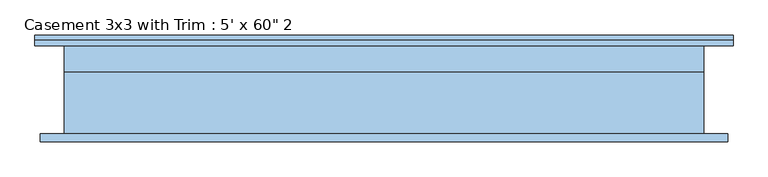
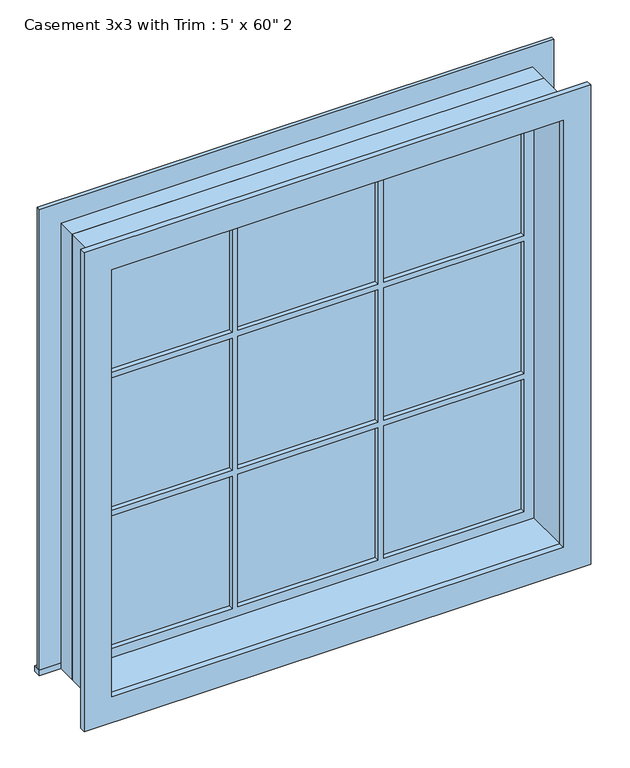
"""IFC4 building model written with IfcOpenShell, lengths in millimetres: window geometry."""

from ifc_helpers import new_model, si_unit, frame, origin, place, context, project, spatial, polyline, outline, extrude, source, transform, mapped, element, save


def window_0e5df24a(model_context):
    return source(origin(), model_context, "Body", "SweptSolid", [
        extrude(outline(polyline([(-831.85, 130.175), (831.85, 130.175), (831.85, 104.775), (-831.85, 104.775), (-831.85, 130.175)])), frame((0.0, 0.0, 609.6), z_axis=(0.0, 0.0, 1.0), x_axis=(1.0, 0.0, 0.0)), (0.0, 0.0, 1.0), 19.05),
        extrude(outline(polyline([(2114.55, -742.95), (2114.55, 742.95), (628.65, 742.95), (628.65, 831.85), (2203.45, 831.85), (2203.45, -831.85), (628.65, -831.85), (628.65, -742.95), (2114.55, -742.95)])), frame((0.0, 104.775, 0.0), z_axis=(0.0, 1.0, 0.0), x_axis=(0.0, 0.0, 1.0)), (0.0, 0.0, 1.0), 12.7),
        extrude(outline(polyline([(245.5333333, 69.85), (698.5, 69.85), (698.5, 57.15), (245.5333333, 57.15), (245.5333333, 69.85)])), frame((0.0, 0.0, 1617.1333333), z_axis=(0.0, 0.0, 1.0), x_axis=(1.0, 0.0, 0.0)), (0.0, 0.0, 1.0), 452.9666667),
        extrude(outline(polyline([(-226.4833333, 69.85), (226.4833333, 69.85), (226.4833333, 57.15), (-226.4833333, 57.15), (-226.4833333, 69.85)])), frame((0.0, 0.0, 1617.1333333), z_axis=(0.0, 0.0, 1.0), x_axis=(1.0, 0.0, 0.0)), (0.0, 0.0, 1.0), 452.9666667),
        extrude(outline(polyline([(-698.5, 69.85), (-245.5333333, 69.85), (-245.5333333, 57.15), (-698.5, 57.15), (-698.5, 69.85)])), frame((0.0, 0.0, 1617.1333333), z_axis=(0.0, 0.0, 1.0), x_axis=(1.0, 0.0, 0.0)), (0.0, 0.0, 1.0), 452.9666667),
        extrude(outline(polyline([(-698.5, 69.85), (-245.5333333, 69.85), (-245.5333333, 57.15), (-698.5, 57.15), (-698.5, 69.85)])), frame((0.0, 0.0, 1145.1166667), z_axis=(0.0, 0.0, 1.0), x_axis=(1.0, 0.0, 0.0)), (0.0, 0.0, 1.0), 452.9666667),
        extrude(outline(polyline([(-226.4833333, 69.85), (226.4833333, 69.85), (226.4833333, 57.15), (-226.4833333, 57.15), (-226.4833333, 69.85)])), frame((0.0, 0.0, 1145.1166667), z_axis=(0.0, 0.0, 1.0), x_axis=(1.0, 0.0, 0.0)), (0.0, 0.0, 1.0), 452.9666667),
        extrude(outline(polyline([(245.5333333, 69.85), (698.5, 69.85), (698.5, 57.15), (245.5333333, 57.15), (245.5333333, 69.85)])), frame((0.0, 0.0, 1145.1166667), z_axis=(0.0, 0.0, 1.0), x_axis=(1.0, 0.0, 0.0)), (0.0, 0.0, 1.0), 452.9666667),
        extrude(outline(polyline([(245.5333333, 69.85), (698.5, 69.85), (698.5, 57.15), (245.5333333, 57.15), (245.5333333, 69.85)])), frame((0.0, 0.0, 673.1), z_axis=(0.0, 0.0, 1.0), x_axis=(1.0, 0.0, 0.0)), (0.0, 0.0, 1.0), 452.9666667),
        extrude(outline(polyline([(-226.4833333, 69.85), (226.4833333, 69.85), (226.4833333, 57.15), (-226.4833333, 57.15), (-226.4833333, 69.85)])), frame((0.0, 0.0, 673.1), z_axis=(0.0, 0.0, 1.0), x_axis=(1.0, 0.0, 0.0)), (0.0, 0.0, 1.0), 452.9666667),
        extrude(outline(polyline([(-698.5, 69.85), (-245.5333333, 69.85), (-245.5333333, 57.15), (-698.5, 57.15), (-698.5, 69.85)])), frame((0.0, 0.0, 673.1), z_axis=(0.0, 0.0, 1.0), x_axis=(1.0, 0.0, 0.0)), (0.0, 0.0, 1.0), 452.9666667),
        extrude(outline(polyline([(2190.75, 819.15), (2190.75, -819.15), (552.45, -819.15), (552.45, 819.15), (2190.75, 819.15)]), holes=[polyline([(2101.85, 730.25), (641.35, 730.25), (641.35, -730.25), (2101.85, -730.25), (2101.85, 730.25)])]), frame((0.0, -123.825, 0.0), z_axis=(0.0, 1.0, 0.0), x_axis=(0.0, 0.0, 1.0)), (0.0, 0.0, 1.0), 19.05),
        extrude(outline(polyline([(2114.55, -742.95), (628.65, -742.95), (628.65, 742.95), (2114.55, 742.95), (2114.55, -742.95)]), holes=[polyline([(2070.1, -245.5333333), (1617.1333333, -245.5333333), (1617.1333333, -698.5), (2070.1, -698.5), (2070.1, -245.5333333)]), polyline([(1598.0833333, -245.5333333), (1145.1166667, -245.5333333), (1145.1166667, -698.5), (1598.0833333, -698.5), (1598.0833333, -245.5333333)]), polyline([(1126.0666667, -245.5333333), (673.1, -245.5333333), (673.1, -698.5), (1126.0666667, -698.5), (1126.0666667, -245.5333333)]), polyline([(2070.1, 226.4833333), (1617.1333333, 226.4833333), (1617.1333333, -226.4833333), (2070.1, -226.4833333), (2070.1, 226.4833333)]), polyline([(1598.0833333, 226.4833333), (1145.1166667, 226.4833333), (1145.1166667, -226.4833333), (1598.0833333, -226.4833333), (1598.0833333, 226.4833333)]), polyline([(1126.0666667, 226.4833333), (673.1, 226.4833333), (673.1, -226.4833333), (1126.0666667, -226.4833333), (1126.0666667, 226.4833333)]), polyline([(2070.1, 698.5), (1617.1333333, 698.5), (1617.1333333, 245.5333333), (2070.1, 245.5333333), (2070.1, 698.5)]), polyline([(1598.0833333, 698.5), (1145.1166667, 698.5), (1145.1166667, 245.5333333), (1598.0833333, 245.5333333), (1598.0833333, 698.5)]), polyline([(1126.0666667, 698.5), (673.1, 698.5), (673.1, 245.5333333), (1126.0666667, 245.5333333), (1126.0666667, 698.5)])]), frame((0.0, 41.275, 0.0), z_axis=(0.0, 1.0, 0.0), x_axis=(0.0, 0.0, 1.0)), (0.0, 0.0, 1.0), 44.45),
        extrude(outline(polyline([(2133.6, -762.0), (609.6, -762.0), (609.6, 762.0), (2133.6, 762.0), (2133.6, -762.0)]), holes=[polyline([(2101.85, -730.25), (2101.85, 730.25), (641.35, 730.25), (641.35, -730.25), (2101.85, -730.25)])]), frame((0.0, -104.775, 0.0), z_axis=(0.0, 1.0, 0.0), x_axis=(0.0, 0.0, 1.0)), (0.0, 0.0, 1.0), 146.05),
        extrude(outline(polyline([(2133.6, 762.0), (2133.6, -762.0), (609.6, -762.0), (609.6, 762.0), (2133.6, 762.0)]), holes=[polyline([(2114.55, 742.95), (628.65, 742.95), (628.65, -742.95), (2114.55, -742.95), (2114.55, 742.95)])]), frame((0.0, 41.275, 0.0), z_axis=(0.0, 1.0, 0.0), x_axis=(0.0, 0.0, 1.0)), (0.0, 0.0, 1.0), 63.5),
    ])


if __name__ == "__main__":
    model = new_model("IFC4")
    model_context = context("Model", 3, world=origin())
    ifc_project = project(units=[si_unit("LENGTHUNIT", "METRE", prefix="MILLI")], contexts=[model_context])
    site = spatial("IfcSite", under=ifc_project)
    building = spatial("IfcBuilding", under=site)
    placement = place(None, origin())
    window_shape = window_0e5df24a(model_context)
    element("IfcWindow", 1, ObjectType="Casement 3x3 with Trim : 5' x 60\" 2", at=placement, inside=building, context=model_context, shape_type="MappedRepresentation", body=[
        mapped(window_shape, transform((0.0, 0.0, 0.0), x_axis=(1.0, 0.0, 0.0), y_axis=(0.0, 1.0, 0.0), z_axis=(0.0, 0.0, 1.0))),
    ])
    save(model, "model.ifc")
